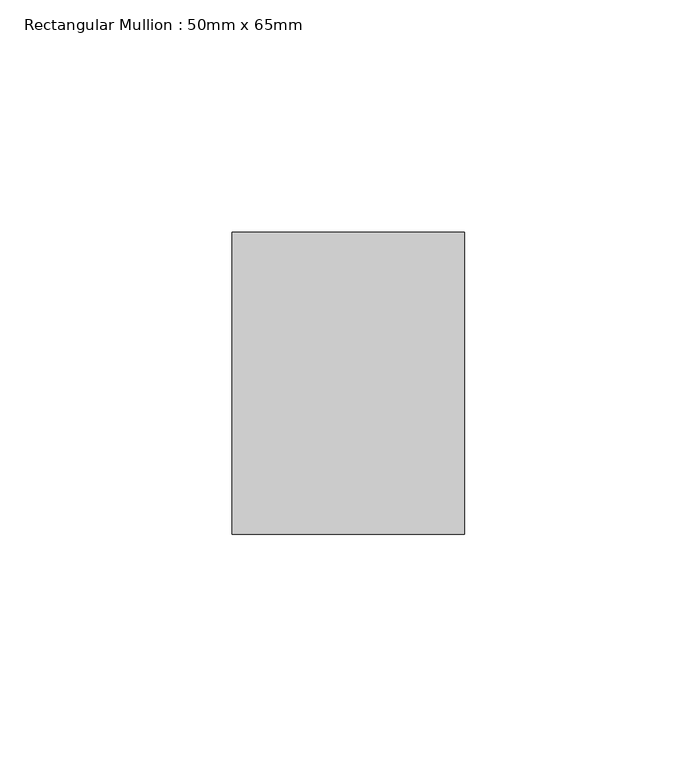
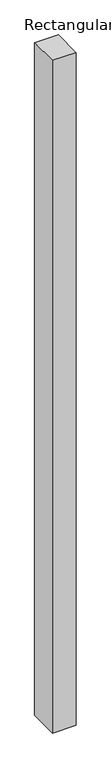
"""IFC4 building model written with IfcOpenShell, lengths in millimetres: member geometry, Rectangular Mullion : 50mm x 65mm."""

from ifc_helpers import new_model, si_unit, frame, origin, place, context, project, spatial, polyline, outline, extrude, source, transform, mapped, element, save


def rectangular_mullion_50mm_x_65mm_7407908b(model_context):
    return source(origin(), model_context, "Body", "SweptSolid", [
        extrude(outline(polyline([(-32.5, 0.0443355), (32.5, -0.0443355), (32.5, -1499.9018761), (-32.5, -1500.0980518), (-32.5, 0.0443355)])), frame((-25.0, 0.0, 0.0), z_axis=(1.0, 0.0, 0.0), x_axis=(0.0, 1.0, 0.0)), (0.0, 0.0, 1.0), 50.0),
    ])


if __name__ == "__main__":
    model = new_model("IFC4")
    model_context = context("Model", 3, world=origin())
    ifc_project = project(units=[si_unit("LENGTHUNIT", "METRE", prefix="MILLI")], contexts=[model_context])
    site = spatial("IfcSite", under=ifc_project)
    building = spatial("IfcBuilding", under=site)
    placement = place(None, origin())
    rectangular_mullion_50mm_x_65mm_shape = rectangular_mullion_50mm_x_65mm_7407908b(model_context)
    element("IfcMember", 1, ObjectType="Rectangular Mullion : 50mm x 65mm", at=placement, inside=building, context=model_context, shape_type="MappedRepresentation", body=[
        mapped(rectangular_mullion_50mm_x_65mm_shape, transform((0.0, 0.0, 0.0), x_axis=(1.0, 0.0, 0.0), y_axis=(0.0, 1.0, 0.0), z_axis=(0.0, 0.0, 1.0))),
    ])
    save(model, "model.ifc")
